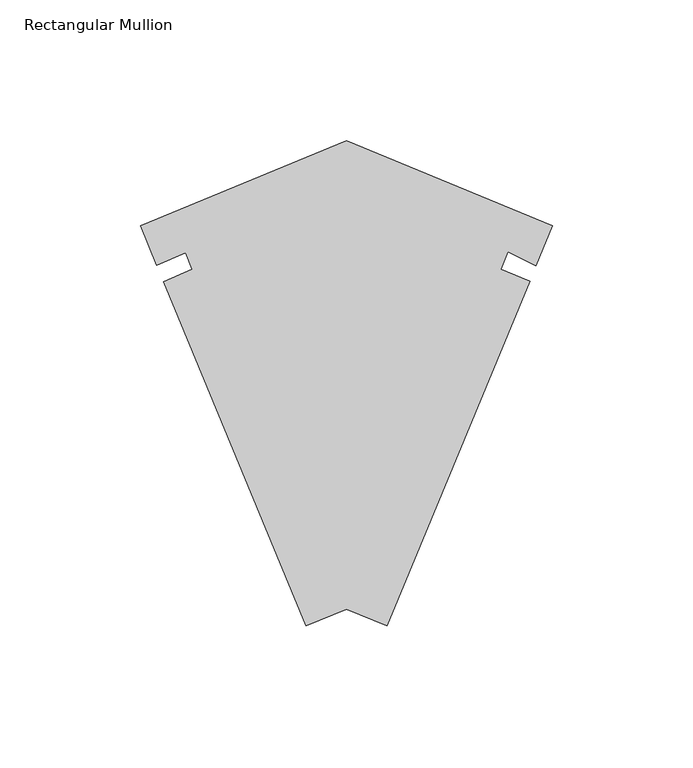
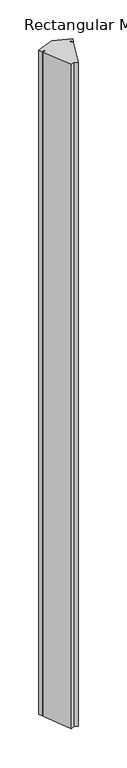
"""IFC4 building model written with IfcOpenShell, lengths in millimetres: member geometry, Rectangular Mullion."""

from ifc_helpers import new_model, si_unit, frame, origin, place, context, project, spatial, polyline, outline, extrude, source, transform, mapped, element, save


def rectangular_mullion_00544964(model_context):
    return source(origin(), model_context, "Body", "SweptSolid", [
        extrude(outline(polyline([(-73.3329379, 92.2875313), (0.0, 61.9120338), (-5.8474318, 47.7950848), (-15.8539448, 52.6755873), (-18.4415427, 46.4285732), (-8.1378198, 42.265599), (-58.9333251, -80.365599), (-73.3329379, -74.4010841), (-87.7325507, -80.365599), (-138.4576089, 42.0955247), (-128.2281092, 46.4376897), (-130.6778457, 52.3518765), (-140.9073453, 48.0097115), (-146.6658758, 61.9120338), (-73.3329379, 92.2875313)])), frame((0.0, 0.0, -3048.0), z_axis=(0.0, 0.0, 1.0), x_axis=(1.0, 0.0, 0.0)), (0.0, 0.0, 1.0), 3048.0),
    ])


if __name__ == "__main__":
    model = new_model("IFC4")
    model_context = context("Model", 3, world=origin())
    ifc_project = project(units=[si_unit("LENGTHUNIT", "METRE", prefix="MILLI")], contexts=[model_context])
    site = spatial("IfcSite", under=ifc_project)
    building = spatial("IfcBuilding", under=site)
    placement = place(None, origin())
    rectangular_mullion_shape = rectangular_mullion_00544964(model_context)
    element("IfcMember", 1, ObjectType="Rectangular Mullion", at=placement, inside=building, context=model_context, shape_type="MappedRepresentation", body=[
        mapped(rectangular_mullion_shape, transform((0.0, 0.0, 0.0), x_axis=(1.0, 0.0, 0.0), y_axis=(0.0, 1.0, 0.0), z_axis=(0.0, 0.0, 1.0))),
    ])
    save(model, "model.ifc")
